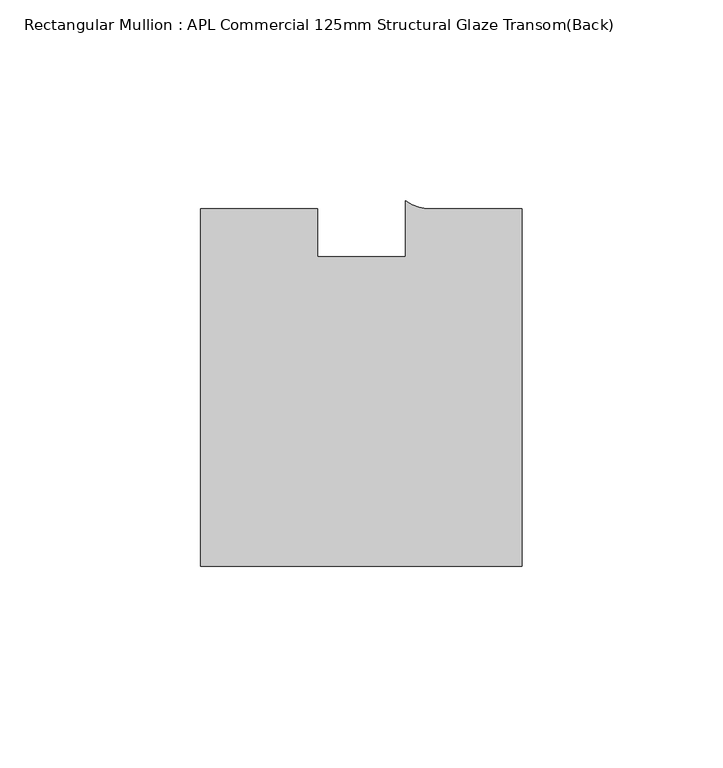
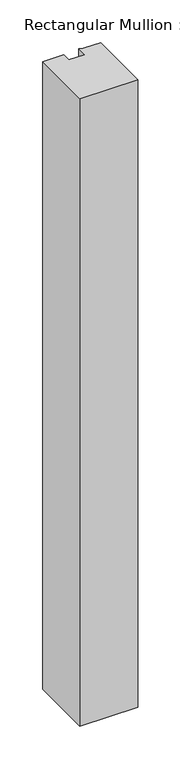
"""IFC4 building model written with IfcOpenShell, lengths in millimetres: member geometry, Rectangular Mullion : APL Commercial 125mm Structural Glaze Transom(Back)."""

from ifc_helpers import new_model, si_unit, point, frame, frame_2d, origin, place, context, project, spatial, polyline, circle_curve, trimmed, segment, composite_curve, outline, extrude, source, transform, mapped, element, save


def rectangular_mullion_apl_commercial_125mm_structural_glaze_0c4e498d(model_context):
    return source(origin(), model_context, "Body", "SweptSolid", [
        extrude(outline(composite_curve([segment(polyline([(40.0, -104.0), (-40.0, -104.0), (-40.0, -15.0000829), (-11.0000151, -15.0000829), (-11.0000151, -27.0), (11.0000151, -27.0), (11.0000151, -13.0673455)]), True, "CONTINUOUS"), segment(trimmed(circle_curve(frame_2d((17.1097719, -4.581653)), 10.4563907), [point((11.0000151, -13.0673455))], [point((17.9999542, -15.0000829))], True, "CARTESIAN"), True, "CONTINUOUS"), segment(polyline([(17.9999542, -15.0000829), (40.0, -15.0000829), (40.0, -104.0)]), True, "CONTINUOUS")], self_intersect=False)), frame((0.0, 0.0, -916.2962462), z_axis=(0.0, 0.0, 1.0), x_axis=(1.0, 0.0, 0.0)), (0.0, 0.0, 1.0), 916.2962462),
    ])


if __name__ == "__main__":
    model = new_model("IFC4")
    model_context = context("Model", 3, world=origin())
    ifc_project = project(units=[si_unit("LENGTHUNIT", "METRE", prefix="MILLI")], contexts=[model_context])
    site = spatial("IfcSite", under=ifc_project)
    building = spatial("IfcBuilding", under=site)
    placement = place(None, origin())
    rectangular_mullion_apl_commercial_125mm_structural_glaze_shape = rectangular_mullion_apl_commercial_125mm_structural_glaze_0c4e498d(model_context)
    element("IfcMember", 1, ObjectType="Rectangular Mullion : APL Commercial 125mm Structural Glaze Transom(Back)", at=placement, inside=building, context=model_context, shape_type="MappedRepresentation", body=[
        mapped(rectangular_mullion_apl_commercial_125mm_structural_glaze_shape, transform((0.0, 0.0, 0.0), x_axis=(1.0, 0.0, 0.0), y_axis=(0.0, 1.0, 0.0), z_axis=(0.0, 0.0, 1.0))),
    ])
    save(model, "model.ifc")
